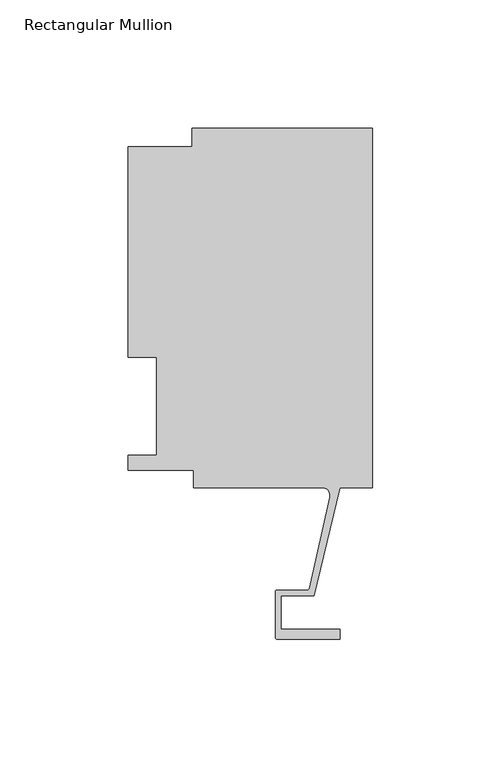
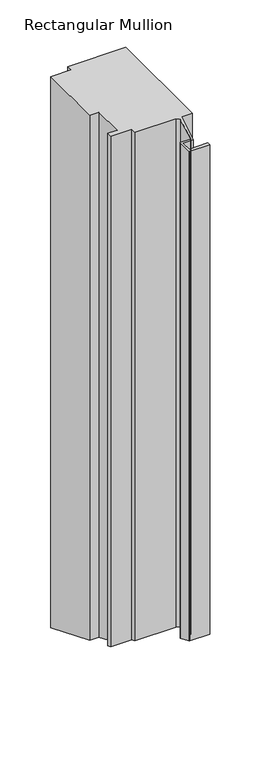
"""IFC4 building model written with IfcOpenShell, lengths in millimetres: member geometry, Rectangular Mullion."""

from ifc_helpers import new_model, si_unit, frame, origin, place, context, project, spatial, polyline, circle_curve, ellipse_curve, source, transform, mapped, element, save
from ifc_brep_helpers import plane_surface, cylinder_surface, revolved_surface, advanced_brep


def rectangular_mullion_ddca74b3(model_context):
    return source(origin(), model_context, "Body", "AdvancedBrep", [
        advanced_brep(
        [(-70.3072, 133.731, 0.0), (-70.3072, 126.619, 0.0), (-95.25, 126.619, 0.0), (-95.25, 44.45, 0.0), (-84.1375, 44.45, 0.0), (-84.1375, 6.35, 0.0), (-95.25, 6.35, 0.0), (-95.25, 0.4064, 0.0), (-69.85, 0.4064, 0.0), (-69.85, -6.2260979, 0.0), (-19.681515, -6.2260979, 0.0), (-16.585275, -10.1038947, 0.0), (-24.6514289, -45.6401264, 0.0), (-25.3893173, -46.2119562, 0.0), (-37.0958677, -46.2119562, 0.0), (-37.8578677, -46.9739562, 0.0), (-37.8578677, -64.6065977, 0.0), (-37.0704677, -65.3939977, 0.0), (-12.7611926, -65.3939977, 0.0), (-12.7611926, -61.4061977, 0.0), (-35.5718677, -61.4061977, 0.0), (-35.5718677, -48.4979562, 0.0), (-22.7594087, -48.4979562, 0.0), (-12.7, -6.2260967, 0.0), (0.0, -6.2260967, 0.0), (0.0, 133.731, 0.0), (-70.3072, 133.731, -711.9360075), (-70.3072, 126.619, -708.9901206), (-95.25, 126.619, -708.9901206), (-95.25, 44.45, -674.9546064), (-84.1375, 44.45, -674.9546064), (-84.1375, 6.35, -659.1730697), (-95.25, 6.35, -659.1730697), (-95.25, 0.4064, -656.71115), (-69.85, 0.4064, -656.71115), (-69.85, -6.2260979, -653.9638794), (-19.681515, -6.2260979, -653.9638794), (-16.585275, -10.1038947, -652.3576434), (-24.6514289, -45.6401264, -637.6380542), (-25.3893173, -46.2119562, -637.4011946), (-37.0958677, -46.2119562, -637.4011946), (-37.8578677, -46.9739562, -637.0855638), (-37.8578677, -64.6065977, -629.7818846), (-37.0704677, -65.3939977, -629.4557328), (-12.7611926, -65.3939977, -629.4557328), (-12.7611926, -61.4061977, -631.1075337), (-35.5718677, -61.4061977, -631.1075337), (-35.5718677, -48.4979562, -636.4543024), (-22.7594087, -48.4979562, -636.4543024), (-12.7, -6.2260967, -653.9638799), (0.0, -6.2260967, -653.9638799), (0.0, 133.731, -711.9360075)],
        [
            (0, 1),
            (1, 2),
            (2, 3),
            (3, 4),
            (4, 5),
            (5, 6),
            (6, 7),
            (7, 8),
            (8, 9),
            (9, 10),
            (10, 11, circle_curve(frame((-19.681515, -9.4010979, 0.0), z_axis=(0.0, 0.0, -1.0), x_axis=(0.0, 1.0, 0.0)), 3.175)),
            (11, 12),
            (12, 13, circle_curve(frame((-25.3679884, -45.4774789, 0.0), z_axis=(0.0, 0.0, -1.0), x_axis=(0.0, 1.0, 0.0)), 0.7347869)),
            (13, 14),
            (14, 15, circle_curve(frame((-37.0958677, -46.9739562, 0.0), z_axis=(0.0, 0.0, 1.0), x_axis=(0.0, 1.0, 0.0)), 0.762)),
            (15, 16),
            (16, 17, circle_curve(frame((-37.0704677, -64.6065977, 0.0), z_axis=(0.0, 0.0, 1.0), x_axis=(0.0, 1.0, 0.0)), 0.7874)),
            (17, 18),
            (18, 19),
            (19, 20),
            (20, 21),
            (21, 22),
            (22, 23),
            (23, 24),
            (24, 25),
            (25, 0),
            (0, 26),
            (26, 27),
            (27, 1),
            (27, 28),
            (28, 2),
            (28, 29),
            (29, 3),
            (29, 30),
            (30, 4),
            (30, 31),
            (31, 5),
            (31, 32),
            (32, 6),
            (32, 33),
            (33, 7),
            (33, 34),
            (34, 8),
            (34, 35),
            (35, 9),
            (35, 36),
            (36, 10),
            (36, 37, ellipse_curve(frame((-19.681515, -9.4010979, -652.6487513), z_axis=(0.0, -0.38268343236508917, -0.9238795325112871), x_axis=(0.0, 0.9238795325112871, -0.3826834323650887)), 3.4365952, 3.175)),
            (37, 11),
            (37, 38),
            (38, 12),
            (38, 39, ellipse_curve(frame((-25.3679884, -45.4774789, -637.705425), z_axis=(0.0, -0.38268343236508917, -0.9238795325112871), x_axis=(0.0, 0.9238795325112871, -0.3826834323650887)), 0.7953276, 0.7347869)),
            (39, 13),
            (39, 40),
            (40, 14),
            (40, 41, ellipse_curve(frame((-37.0958677, -46.9739562, -637.0855638), z_axis=(0.0, 0.38268343236508917, 0.9238795325112871), x_axis=(0.0, -0.9238795325112871, 0.3826834323650887)), 0.8247829, 0.762)),
            (41, 15),
            (41, 42),
            (42, 16),
            (42, 43, ellipse_curve(frame((-37.0704677, -64.6065977, -629.7818846), z_axis=(0.0, 0.38268343236508917, 0.9238795325112871), x_axis=(0.0, -0.9238795325112871, 0.3826834323650887)), 0.8522756, 0.7874)),
            (43, 17),
            (43, 44),
            (44, 18),
            (44, 45),
            (45, 19),
            (45, 46),
            (46, 20),
            (46, 47),
            (47, 21),
            (47, 48),
            (48, 22),
            (48, 49),
            (49, 23),
            (49, 50),
            (50, 24),
            (50, 51),
            (51, 25),
            (51, 26),
        ],
        [
            plane_surface(frame((0.0, -158.4453649, 0.0), z_axis=(0.0, 0.0, 1.0), x_axis=(-1.0, 0.0, 0.0))),
            plane_surface(frame((-70.3072, 133.731, 0.0), z_axis=(-1.0, 0.0, 0.0), x_axis=(0.0, 0.0, -1.0))),
            plane_surface(frame((-70.3072, 126.619, 0.0), z_axis=(0.0, 1.0, 0.0), x_axis=(0.0, 0.0, -1.0))),
            plane_surface(frame((-95.25, 126.619, 0.0), z_axis=(-1.0, 0.0, 0.0), x_axis=(0.0, 0.0, -1.0))),
            plane_surface(frame((-95.25, 44.45, 0.0), z_axis=(0.0, -1.0, 0.0), x_axis=(0.0, 0.0, -1.0))),
            plane_surface(frame((-84.1375, 44.45, 0.0), z_axis=(-1.0, 0.0, 0.0), x_axis=(0.0, 0.0, -1.0))),
            plane_surface(frame((-84.1375, 6.35, 0.0), z_axis=(0.0, 1.0, 0.0), x_axis=(0.0, 0.0, -1.0))),
            plane_surface(frame((-95.25, 6.35, 0.0), z_axis=(-1.0, 0.0, 0.0), x_axis=(0.0, 0.0, -1.0))),
            plane_surface(frame((-95.25, 0.4064, 0.0), z_axis=(0.0, -1.0, 0.0), x_axis=(0.0, 0.0, -1.0))),
            plane_surface(frame((-69.85, 0.4064, 0.0), z_axis=(-1.0, 0.0, 0.0), x_axis=(0.0, 0.0, -1.0))),
            plane_surface(frame((-69.85, -6.2260979, 0.0), z_axis=(0.0, -1.0, 0.0), x_axis=(0.0, 0.0, -1.0))),
            revolved_surface(polyline([(-19.681515, -6.2260979, -653.9638794), (-19.681515, -6.2260979, 0.0)]), (-19.681515, -9.4010979, 0.0), (0.0, 0.0, -1.0)),
            plane_surface(frame((-16.585275, -10.1038947, 0.0), z_axis=(-0.9751936808086203, 0.22135330336576153, 0.0), x_axis=(0.0, 0.0, -1.0))),
            revolved_surface(polyline([(-25.3679884, -44.742692, -638.0097836958226), (-25.3679884, -44.742692, 0.0)]), (-25.3679884, -45.4774789, 0.0), (0.0, 0.0, -1.0)),
            plane_surface(frame((-25.3893173, -46.2119562, 0.0), z_axis=(0.0, 1.0, 0.0), x_axis=(0.0, 0.0, -1.0))),
            cylinder_surface(frame((-37.0958677, -46.9739562, 0.0), z_axis=(0.0, 0.0, 1.0), x_axis=(0.0, 1.0, 0.0)), 0.762),
            plane_surface(frame((-37.8578677, -46.9739562, 0.0), z_axis=(-1.0, 0.0, 0.0), x_axis=(0.0, 0.0, -1.0))),
            cylinder_surface(frame((-37.0704677, -64.6065977, 0.0), z_axis=(0.0, 0.0, 1.0), x_axis=(0.0, 1.0, 0.0)), 0.7874),
            plane_surface(frame((-37.0704677, -65.3939977, 0.0), z_axis=(0.0, -1.0, 0.0), x_axis=(0.0, 0.0, -1.0))),
            plane_surface(frame((-12.7611926, -65.3939977, 0.0), z_axis=(1.0, 0.0, 0.0), x_axis=(0.0, 0.0, -1.0))),
            plane_surface(frame((-12.7611926, -61.4061977, 0.0), z_axis=(0.0, 1.0, 0.0), x_axis=(0.0, 0.0, -1.0))),
            plane_surface(frame((-35.5718677, -61.4061977, 0.0), z_axis=(1.0, 0.0, 0.0), x_axis=(0.0, 0.0, -1.0))),
            plane_surface(frame((-35.5718677, -48.4979562, 0.0), z_axis=(0.0, -1.0, 0.0), x_axis=(0.0, 0.0, -1.0))),
            plane_surface(frame((-22.7594087, -48.4979562, 0.0), z_axis=(0.972833793207084, -0.23150466689532792, 0.0), x_axis=(0.0, 0.0, -1.0))),
            plane_surface(frame((-12.7, -6.2260967, 0.0), z_axis=(0.0, -1.0, 0.0), x_axis=(0.0, 0.0, -1.0))),
            plane_surface(frame((0.0, -6.2260967, 0.0), z_axis=(1.0, 0.0, 0.0), x_axis=(0.0, 0.0, -1.0))),
            plane_surface(frame((0.0, 133.731, 0.0), z_axis=(0.0, 1.0, 0.0), x_axis=(0.0, 0.0, -1.0))),
            plane_surface(frame((304.8, 0.0, -656.5428136), z_axis=(0.0, -0.38268343236508917, -0.9238795325112871), x_axis=(0.0, -0.9238795325112871, 0.38268343236508917))),
        ],
        [
            (0, [[1, 2, 3, 4, 5, 6, 7, 8, 9, 10, 11, 12, 13, 14, 15, 16, 17, 18, 19, 20, 21, 22, 23, 24, 25, 26]]),
            (1, [[-1, 27, 28, 29]]),
            (2, [[-2, -29, 30, 31]]),
            (3, [[-3, -31, 32, 33]]),
            (4, [[-4, -33, 34, 35]]),
            (5, [[-5, -35, 36, 37]]),
            (6, [[-6, -37, 38, 39]]),
            (7, [[-7, -39, 40, 41]]),
            (8, [[-8, -41, 42, 43]]),
            (9, [[-9, -43, 44, 45]]),
            (10, [[-10, -45, 46, 47]]),
            (11, [[-11, -47, 48, 49]]),
            (12, [[-12, -49, 50, 51]]),
            (13, [[-13, -51, 52, 53]]),
            (14, [[-14, -53, 54, 55]]),
            (15, [[-15, -55, 56, 57]]),
            (16, [[-16, -57, 58, 59]]),
            (17, [[-17, -59, 60, 61]]),
            (18, [[-18, -61, 62, 63]]),
            (19, [[-19, -63, 64, 65]]),
            (20, [[-20, -65, 66, 67]]),
            (21, [[-21, -67, 68, 69]]),
            (22, [[-22, -69, 70, 71]]),
            (23, [[-23, -71, 72, 73]]),
            (24, [[-24, -73, 74, 75]]),
            (25, [[-25, -75, 76, 77]]),
            (26, [[-26, -77, 78, -27]]),
            (27, [[-78, -76, -74, -72, -70, -68, -66, -64, -62, -60, -58, -56, -54, -52, -50, -48, -46, -44, -42, -40, -38, -36, -34, -32, -30, -28]]),
        ],
    ),
    ])


if __name__ == "__main__":
    model = new_model("IFC4")
    model_context = context("Model", 3, world=origin())
    ifc_project = project(units=[si_unit("LENGTHUNIT", "METRE", prefix="MILLI")], contexts=[model_context])
    site = spatial("IfcSite", under=ifc_project)
    building = spatial("IfcBuilding", under=site)
    placement = place(None, origin())
    rectangular_mullion_shape = rectangular_mullion_ddca74b3(model_context)
    element("IfcMember", 1, ObjectType="Rectangular Mullion", at=placement, inside=building, context=model_context, shape_type="MappedRepresentation", body=[
        mapped(rectangular_mullion_shape, transform((0.0, 0.0, 0.0), x_axis=(1.0, 0.0, 0.0), y_axis=(0.0, 1.0, 0.0), z_axis=(0.0, 0.0, 1.0))),
    ])
    save(model, "model.ifc")
